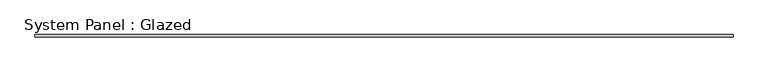
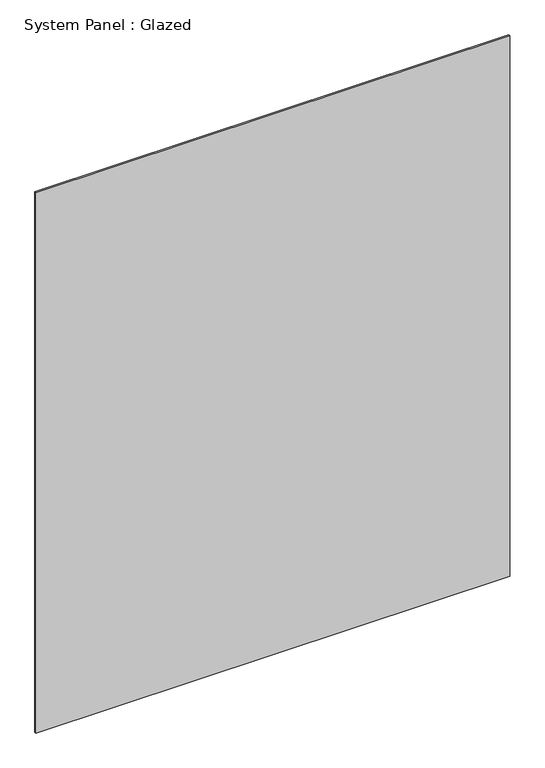
"""IFC4 building model written with IfcOpenShell, lengths in millimetres: plate geometry, System Panel : Glazed."""

from ifc_helpers import new_model, si_unit, origin, origin_with_axes, place, context, project, spatial, polyline, outline, extrude, source, transform, mapped, element, save


def system_panel_glazed_62f3f120(model_context):
    return source(origin(), model_context, "Body", "SweptSolid", [
        extrude(outline(polyline([(974.58125, -3.0), (-974.58125, -3.0), (-974.58125, 3.0), (974.58125, 3.0), (974.58125, -3.0)])), origin_with_axes(), (0.0, 0.0, 1.0), 2349.1625),
    ])


if __name__ == "__main__":
    model = new_model("IFC4")
    model_context = context("Model", 3, world=origin())
    ifc_project = project(units=[si_unit("LENGTHUNIT", "METRE", prefix="MILLI")], contexts=[model_context])
    site = spatial("IfcSite", under=ifc_project)
    building = spatial("IfcBuilding", under=site)
    placement = place(None, origin())
    system_panel_glazed_shape = system_panel_glazed_62f3f120(model_context)
    element("IfcPlate", 1, ObjectType="System Panel : Glazed", at=placement, inside=building, context=model_context, shape_type="MappedRepresentation", body=[
        mapped(system_panel_glazed_shape, transform((0.0, 0.0, 0.0), x_axis=(1.0, 0.0, 0.0), y_axis=(0.0, 1.0, 0.0), z_axis=(0.0, 0.0, 1.0))),
    ])
    save(model, "model.ifc")
